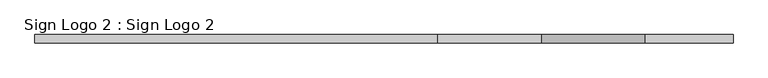
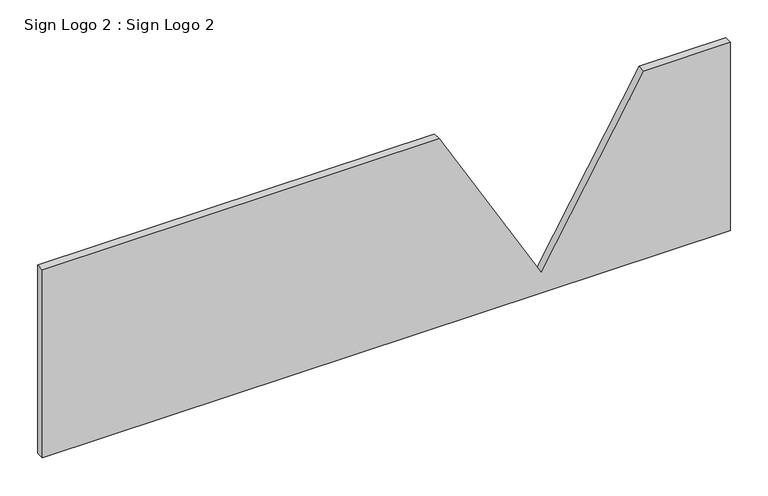
"""IFC4 building model written with IfcOpenShell, lengths in millimetres: proxy geometry, Sign Logo 2 : Sign Logo 2."""

from ifc_helpers import new_model, si_unit, frame, origin, place, context, project, spatial, polyline, outline, extrude, source, transform, mapped, element, save


def sign_logo_2_sign_logo_2_ce510b51(model_context):
    return source(origin(), model_context, "Body", "SweptSolid", [
        extrude(outline(polyline([(2505.9592564, 228541.7269945), (2505.9592564, 227934.0228488), (2201.1592564, 227934.0228488), (2201.1592564, 228988.1228488), (2505.9592564, 228988.1228488), (2505.9592564, 228855.6124514), (2234.1264769, 228698.6697229), (2505.9592564, 228541.7269945)])), frame((0.0, 158623.7596581, 0.0), z_axis=(0.0, 1.0, 0.0), x_axis=(0.0, 0.0, 1.0)), (0.0, 0.0, 1.0), 12.7),
    ])


if __name__ == "__main__":
    model = new_model("IFC4")
    model_context = context("Model", 3, world=origin())
    ifc_project = project(units=[si_unit("LENGTHUNIT", "METRE", prefix="MILLI")], contexts=[model_context])
    site = spatial("IfcSite", under=ifc_project)
    building = spatial("IfcBuilding", under=site)
    placement = place(None, origin())
    sign_logo_2_sign_logo_2_shape = sign_logo_2_sign_logo_2_ce510b51(model_context)
    element("IfcBuildingElementProxy", 1, Name="Sign Logo 2 : Sign Logo 2", ObjectType="Sign Logo 2 : Sign Logo 2", at=placement, inside=building, context=model_context, shape_type="MappedRepresentation", body=[
        mapped(sign_logo_2_sign_logo_2_shape, transform((0.0, 0.0, 0.0), x_axis=(1.0, 0.0, 0.0), y_axis=(0.0, 1.0, 0.0), z_axis=(0.0, 0.0, 1.0))),
    ])
    save(model, "model.ifc")
